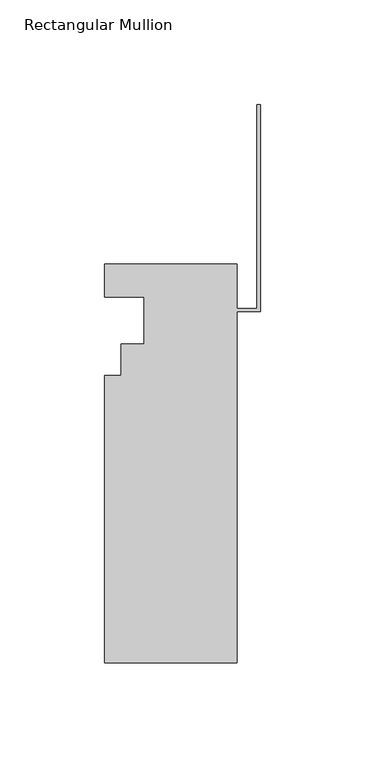
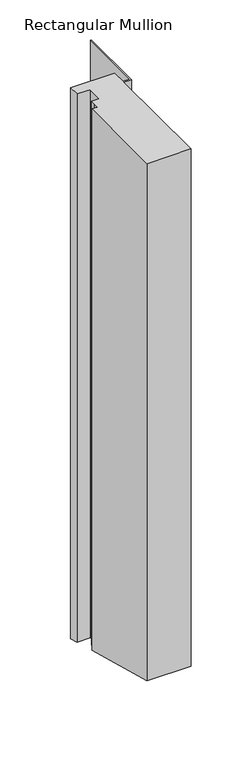
"""IFC4 building model written with IfcOpenShell, lengths in millimetres: member geometry, Rectangular Mullion."""

from ifc_helpers import new_model, si_unit, origin, place, context, project, spatial, faceted_brep, source, transform, mapped, element, save


def rectangular_mullion_1ed7a35f(model_context):
    return source(origin(), model_context, "Body", "Brep", [
        faceted_brep([(-74.613262, 20.7922813, 0.0), (-74.613262, 4.9172813, 0.0), (-55.563262, 4.9172813, 0.0), (-55.563262, -17.5617187, 0.0), (-66.688462, -17.5617188, 0.0), (-66.688462, -24.7245187, 0.0), (-66.688462, -32.6239187, 0.0), (-74.613262, -32.6239187, 0.0), (-74.613262, -169.9617187, 0.0), (-11.113262, -169.9617187, 0.0), (-11.113262, -2.0423187, 0.0), (0.0, -2.0423187, 0.0), (0.0, 97.0234488, 0.0), (-1.5748, 97.0234488, 0.0), (-1.5748, -0.4675187, 0.0), (-11.113262, -0.4675187, 0.0), (-11.113262, 20.7922813, 0.0), (-74.613262, 20.7922813, -838.6635614), (-74.613262, 4.9172813, -834.409868), (-55.563262, 4.9172813, -834.409868), (-55.563262, -17.5617187, -828.3866381), (-66.688462, -17.5617188, -828.3866381), (-66.688462, -24.7245187, -826.4673716), (-66.688462, -32.6239187, -824.3507337), (-74.613262, -32.6239187, -824.3507337), (-74.613262, -169.9617187, -787.5511811), (-11.113262, -169.9617187, -787.5511811), (-11.113262, -2.0423187, -832.5450488), (0.0, -2.0423187, -832.5450488), (0.0, 97.0234488, -859.0896412), (-1.5748, 97.0234488, -859.0896412), (-1.5748, -0.4675187, -832.9670152), (-11.113262, -0.4675187, -832.9670152), (-11.113262, 20.7922813, -838.6635614)], [[[0, 1, 2, 3, 4, 5, 6, 7, 8, 9, 10, 11, 12, 13, 14, 15, 16]], [[1, 0, 17, 18]], [[2, 1, 18, 19]], [[3, 2, 19, 20]], [[4, 3, 20, 21]], [[5, 4, 21, 22]], [[6, 5, 22, 23]], [[7, 6, 23, 24]], [[8, 7, 24, 25]], [[9, 8, 25, 26]], [[10, 9, 26, 27]], [[11, 10, 27, 28]], [[12, 11, 28, 29]], [[13, 12, 29, 30]], [[14, 13, 30, 31]], [[15, 14, 31, 32]], [[16, 15, 32, 33]], [[0, 16, 33, 17]], [[17, 33, 32, 31, 30, 29, 28, 27, 26, 25, 24, 23, 22, 21, 20, 19, 18]]]),
    ])


if __name__ == "__main__":
    model = new_model("IFC4")
    model_context = context("Model", 3, world=origin())
    ifc_project = project(units=[si_unit("LENGTHUNIT", "METRE", prefix="MILLI")], contexts=[model_context])
    site = spatial("IfcSite", under=ifc_project)
    building = spatial("IfcBuilding", under=site)
    placement = place(None, origin())
    rectangular_mullion_shape = rectangular_mullion_1ed7a35f(model_context)
    element("IfcMember", 1, ObjectType="Rectangular Mullion", at=placement, inside=building, context=model_context, shape_type="MappedRepresentation", body=[
        mapped(rectangular_mullion_shape, transform((0.0, 0.0, 0.0), x_axis=(1.0, 0.0, 0.0), y_axis=(0.0, 1.0, 0.0), z_axis=(0.0, 0.0, 1.0))),
    ])
    save(model, "model.ifc")
